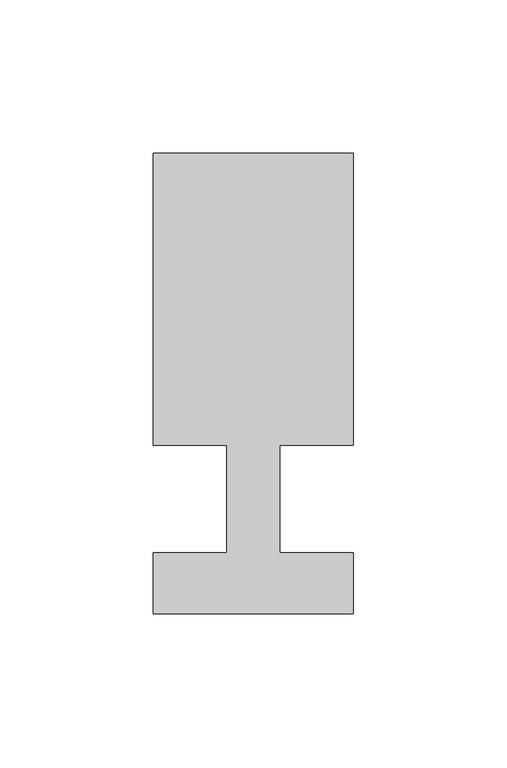
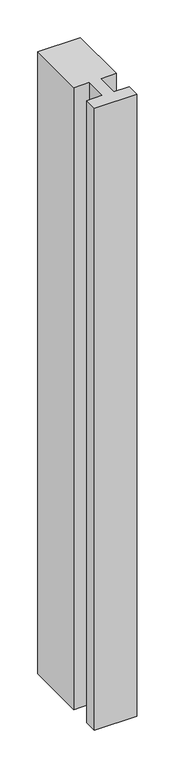
"""IFC4 building model written with IfcOpenShell, lengths in millimetres: member geometry."""

from ifc_helpers import new_model, si_unit, frame, origin, place, context, project, spatial, polyline, outline, extrude, source, transform, mapped, element, save


def member_c643cb30(model_context):
    return source(origin(), model_context, "Body", "SweptSolid", [
        extrude(outline(polyline([(0.0, -37.0), (-65.0, -37.0), (-65.0, -17.0), (-41.1875, -17.0), (-41.1875, 18.0), (-65.0, 18.0), (-65.0, 113.0), (0.0, 113.0), (0.0, 18.0), (-23.8125, 18.0), (-23.8125, -17.0), (0.0, -17.0), (0.0, -37.0)])), frame((0.0, 0.0, -1005.0), z_axis=(0.0, 0.0, 1.0), x_axis=(1.0, 0.0, 0.0)), (0.0, 0.0, 1.0), 1005.0),
    ])


if __name__ == "__main__":
    model = new_model("IFC4")
    model_context = context("Model", 3, world=origin())
    ifc_project = project(units=[si_unit("LENGTHUNIT", "METRE", prefix="MILLI")], contexts=[model_context])
    site = spatial("IfcSite", under=ifc_project)
    building = spatial("IfcBuilding", under=site)
    placement = place(None, origin())
    member_shape = member_c643cb30(model_context)
    element("IfcMember", 1, at=placement, inside=building, context=model_context, shape_type="MappedRepresentation", body=[
        mapped(member_shape, transform((0.0, 0.0, 0.0), x_axis=(1.0, 0.0, 0.0), y_axis=(0.0, 1.0, 0.0), z_axis=(0.0, 0.0, 1.0))),
    ])
    save(model, "model.ifc")
